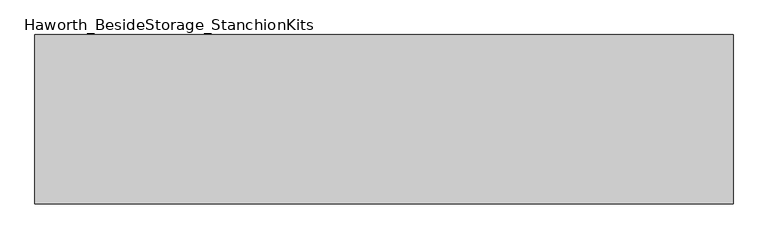
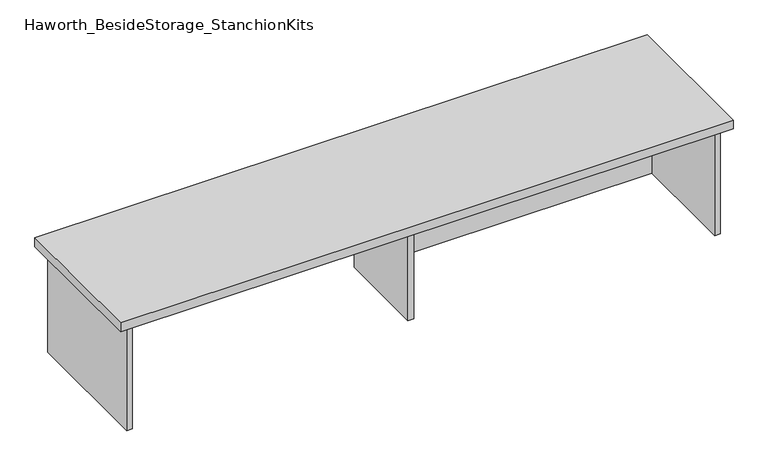
"""IFC4 building model written with IfcOpenShell, lengths in millimetres: furniture geometry, Haworth_BesideStorage_StanchionKits."""

import ifcopenshell
import ifcopenshell.guid

model = None  # the IFC model being written
_history = None  # IfcOwnerHistory: only IFC2X3 demands one
_inside = {}  # id of a spatial element -> (the spatial element, [elements in it])
_under = {}  # id of a project, library or spatial element -> (it, [spatial elements below it])
_declared = {}  # id of a project -> (the project, [libraries it declares])
_typed = {}  # id of a type object -> (the type object, [elements of that type])
_made_of = {}  # id of a material, layer set ... -> (it, [elements and type objects made of it])


def new_model(schema):
    """Start an empty IFC model of exactly this schema.

    Asked for "IFC4X3", IfcOpenShell would pick the latest addendum, in which some entities
    have other attributes; the version numbers below select the first issue.
    IFC2X3 requires an IfcOwnerHistory on every rooted entity: one is made here for all.
    """
    global model, _history
    if schema == "IFC4X3":
        model = ifcopenshell.file(schema_version=(4, 3, 0, 0))
    else:
        model = ifcopenshell.file(schema=schema)
    _inside.clear()
    _under.clear()
    _declared.clear()
    _typed.clear()
    _made_of.clear()
    _history = None
    if model.schema == "IFC2X3":
        org = make("IfcOrganization", Name="unknown")
        user = make(
            "IfcPersonAndOrganization",
            ThePerson=make("IfcPerson", FamilyName="unknown"),
            TheOrganization=org,
        )
        app = make(
            "IfcApplication",
            ApplicationDeveloper=org,
            Version="unknown",
            ApplicationFullName="unknown",
            ApplicationIdentifier="unknown",
        )
        _history = make(
            "IfcOwnerHistory",
            OwningUser=user,
            OwningApplication=app,
            ChangeAction="ADDED",
            CreationDate=0,
        )
    return model


def make(cls, **values):
    """One entity of the class cls with the attributes given. An attribute that is None is left unset."""
    return model.create_entity(
        cls, **{name: value for name, value in values.items() if value is not None}
    )


def rooted(cls, **values):
    """An entity with a GlobalId (a new one), such as an element, a storey or a relation."""
    return make(cls, GlobalId=ifcopenshell.guid.new(), OwnerHistory=_history, **values)


def si_unit(unit_type, name, prefix=None):
    """IfcSIUnit, for example si_unit("LENGTHUNIT", "METRE", prefix="MILLI")."""
    return make("IfcSIUnit", UnitType=unit_type, Prefix=prefix, Name=name)


def assignment(units):
    """IfcUnitAssignment: the units of a project."""
    return None if units is None else make("IfcUnitAssignment", Units=units)


def point(xyz):
    """IfcCartesianPoint."""
    return None if xyz is None else make("IfcCartesianPoint", Coordinates=xyz)


def direction(xyz):
    """IfcDirection."""
    return None if xyz is None else make("IfcDirection", DirectionRatios=xyz)


def frame(location, z_axis=None, x_axis=None):
    """IfcAxis2Placement3D, a coordinate frame: its origin and axes. An axis left out is left unset."""
    return make(
        "IfcAxis2Placement3D",
        Location=point(location),
        Axis=direction(z_axis),
        RefDirection=direction(x_axis),
    )


def origin():
    """The frame at (0, 0, 0) with its axes left unset."""
    return frame((0.0, 0.0, 0.0))


def place(relative_to, where):
    """IfcLocalPlacement: puts the frame where relative to a parent placement (None: the world)."""
    return make(
        "IfcLocalPlacement", PlacementRelTo=relative_to, RelativePlacement=where
    )


def context(
    kind, dimensions, precision=None, world=None, true_north=None, identifier=None
):
    """IfcGeometricRepresentationContext, for example the 3D "Model" context."""
    return make(
        "IfcGeometricRepresentationContext",
        ContextIdentifier=identifier,
        ContextType=kind,
        CoordinateSpaceDimension=dimensions,
        Precision=precision,
        WorldCoordinateSystem=world,
        TrueNorth=true_north,
    )


def project(units=None, contexts=None):
    """IfcProject with its units and contexts."""
    return rooted(
        "IfcProject",
        Name="project",
        RepresentationContexts=contexts,
        UnitsInContext=assignment(units),
    )


def spatial(cls, under=None, at=None, **own):
    """A site, building, storey or space (cls), placed at a placement, below another one or the project."""
    s = rooted(cls, ObjectPlacement=at, **own)
    if under is not None:
        _under.setdefault(under.id(), (under, []))[1].append(s)
    return s


def polyline(points):
    """IfcPolyline through the points."""
    return make("IfcPolyline", Points=[point(p) for p in points])


def outline(outer, holes=None, kind="AREA"):
    """IfcArbitraryClosedProfileDef: a profile drawn as a closed curve; with holes, ...WithVoids."""
    if holes is None:
        return make("IfcArbitraryClosedProfileDef", ProfileType=kind, OuterCurve=outer)
    return make(
        "IfcArbitraryProfileDefWithVoids",
        ProfileType=kind,
        OuterCurve=outer,
        InnerCurves=holes,
    )


def extrude(swept, where, along, depth):
    """IfcExtrudedAreaSolid: the profile swept, set in the frame where, extruded along a direction by depth."""
    return make(
        "IfcExtrudedAreaSolid",
        SweptArea=swept,
        Position=where,
        ExtrudedDirection=direction(along),
        Depth=depth,
    )


def shape(context_of_items, identifier, shape_type, items):
    """IfcShapeRepresentation: the items that make up one representation, for example the "Body"."""
    return make(
        "IfcShapeRepresentation",
        ContextOfItems=context_of_items,
        RepresentationIdentifier=identifier,
        RepresentationType=shape_type,
        Items=items,
    )


def source(mapping_origin, context_of_items, identifier, shape_type, items):
    """IfcRepresentationMap: a shape defined once, which mapped items show again and again."""
    return make(
        "IfcRepresentationMap",
        MappingOrigin=mapping_origin,
        MappedRepresentation=shape(context_of_items, identifier, shape_type, items),
    )


def transform(
    local_origin,
    x_axis=None,
    y_axis=None,
    z_axis=None,
    scale=None,
    scale2=None,
    scale3=None,
    uniform=True,
):
    """IfcCartesianTransformationOperator3D, or its non-uniform kind. x_axis, y_axis, z_axis: its Axis1, 2, 3."""
    if uniform:
        return make(
            "IfcCartesianTransformationOperator3D",
            Axis1=direction(x_axis),
            Axis2=direction(y_axis),
            LocalOrigin=point(local_origin),
            Scale=scale,
            Axis3=direction(z_axis),
        )
    return make(
        "IfcCartesianTransformationOperator3DnonUniform",
        Axis1=direction(x_axis),
        Axis2=direction(y_axis),
        LocalOrigin=point(local_origin),
        Scale=scale,
        Axis3=direction(z_axis),
        Scale2=scale2,
        Scale3=scale3,
    )


def mapped(mapping_source, mapping_target):
    """IfcMappedItem: shows the shape of a source again, moved by a transform."""
    return make(
        "IfcMappedItem", MappingSource=mapping_source, MappingTarget=mapping_target
    )


def made_of(thing, what):
    """Note that an element or type object is made of a material, layer set ...; save() writes the relation."""
    if what is not None:
        _made_of.setdefault(what.id(), (what, []))[1].append(thing)
    return thing


def element(
    cls,
    number,
    at=None,
    inside=None,
    cuts=None,
    type_object=None,
    material=None,
    context=None,
    identifier="Body",
    shape_type=None,
    held_by="IfcProductDefinitionShape",
    body=None,
    shapes=None,
    **own,
):
    """One element of the class cls, such as IfcWall. Its Tag is "e" and its number.

    at: its placement. inside: the storey or other place that contains it. cuts: it is an
    opening in that element (IfcRelVoidsElement). A single representation is given by context,
    identifier, shape_type and body (its items); several are given by shapes. held_by: the class
    of the entity that holds the representations. save() writes the other relations.
    """
    e = rooted(cls, Tag="e%d" % number, ObjectPlacement=at, **own)
    if body is not None:
        shapes = [shape(context, identifier, shape_type, body)]
    if shapes is not None:
        e.Representation = make(held_by, Representations=shapes)
    if inside is not None:
        _inside.setdefault(inside.id(), (inside, []))[1].append(e)
    if cuts is not None:
        rooted(
            "IfcRelVoidsElement", RelatingBuildingElement=cuts, RelatedOpeningElement=e
        )
    if type_object is not None:
        _typed.setdefault(type_object.id(), (type_object, []))[1].append(e)
    return made_of(e, material)


def aggregate(whole, parts):
    """IfcRelAggregates: a whole, such as a stair, and the parts it consists of."""
    return rooted("IfcRelAggregates", RelatingObject=whole, RelatedObjects=parts)


def save(model, path):
    """Write the relations noted so far, then the file.

    IfcRelAggregates (storeys below a building ...), IfcRelContainedInSpatialStructure (elements
    in a storey), IfcRelDefinesByType, IfcRelAssociatesMaterial and IfcRelDeclares: one each for
    every whole, place, type object, material and project.
    """
    for whole, parts in _under.values():
        aggregate(whole, parts)
    for where, things in _inside.values():
        rooted(
            "IfcRelContainedInSpatialStructure",
            RelatedElements=things,
            RelatingStructure=where,
        )
    for kind, things in _typed.values():
        rooted("IfcRelDefinesByType", RelatedObjects=things, RelatingType=kind)
    for what, things in _made_of.values():
        rooted("IfcRelAssociatesMaterial", RelatedObjects=things, RelatingMaterial=what)
    for by, libraries in _declared.values():
        rooted("IfcRelDeclares", RelatingContext=by, RelatedDefinitions=libraries)
    model.write(path)


def haworth_besidestorage_stanchionkits_db77810c(model_context):
    return source(origin(), model_context, "Body", "SweptSolid", [
        extrude(outline(polyline([(1000.125, 0.0), (1000.125, -406.4), (-676.275, -406.4), (-676.275, 0.0), (1000.125, 0.0)])), frame((0.0, 0.0, 736.6), z_axis=(0.0, 0.0, 1.0), x_axis=(1.0, 0.0, 0.0)), (0.0, 0.0, 1.0), 25.4),
        extrude(outline(polyline([(169.8625, -76.2), (958.85, -76.2), (958.85, -92.075), (169.8625, -92.075), (169.8625, -76.2)])), frame((0.0, 0.0, 431.8), z_axis=(0.0, 0.0, 1.0), x_axis=(1.0, 0.0, 0.0)), (0.0, 0.0, 1.0), 304.8),
        extrude(outline(polyline([(169.8625, -330.2), (153.9875, -330.2), (153.9875, -76.2), (169.8625, -76.2), (169.8625, -330.2)])), frame((0.0, 0.0, 431.8), z_axis=(0.0, 0.0, 1.0), x_axis=(1.0, 0.0, 0.0)), (0.0, 0.0, 1.0), 304.8),
        extrude(outline(polyline([(974.725, -390.525), (958.85, -390.525), (958.85, -15.875), (974.725, -15.875), (974.725, -390.525)])), frame((0.0, 0.0, 431.8), z_axis=(0.0, 0.0, 1.0), x_axis=(1.0, 0.0, 0.0)), (0.0, 0.0, 1.0), 304.8),
        extrude(outline(polyline([(-635.0, -390.525), (-650.875, -390.525), (-650.875, -15.875), (-635.0, -15.875), (-635.0, -390.525)])), frame((0.0, 0.0, 431.8), z_axis=(0.0, 0.0, 1.0), x_axis=(1.0, 0.0, 0.0)), (0.0, 0.0, 1.0), 304.8),
    ])


if __name__ == "__main__":
    model = new_model("IFC4")
    model_context = context("Model", 3, world=origin())
    ifc_project = project(units=[si_unit("LENGTHUNIT", "METRE", prefix="MILLI")], contexts=[model_context])
    site = spatial("IfcSite", under=ifc_project)
    building = spatial("IfcBuilding", under=site)
    placement = place(None, origin())
    haworth_besidestorage_stanchionkits_shape = haworth_besidestorage_stanchionkits_db77810c(model_context)
    element("IfcFurniture", 1, ObjectType="Haworth_BesideStorage_StanchionKits", at=placement, inside=building, context=model_context, shape_type="MappedRepresentation", body=[
        mapped(haworth_besidestorage_stanchionkits_shape, transform((0.0, 0.0, 0.0), x_axis=(1.0, 0.0, 0.0), y_axis=(0.0, 1.0, 0.0), z_axis=(0.0, 0.0, 1.0))),
    ])
    save(model, "model.ifc")
